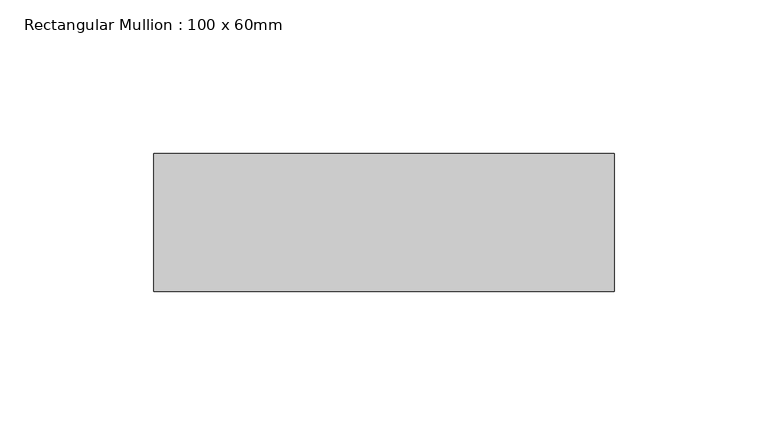
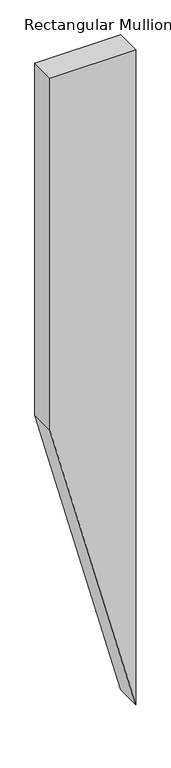
"""IFC4 building model written with IfcOpenShell, lengths in millimetres: member geometry, Rectangular Mullion : 100 x 60mm."""

import ifcopenshell
import ifcopenshell.guid

model = None  # the IFC model being written
_history = None  # IfcOwnerHistory: only IFC2X3 demands one
_inside = {}  # id of a spatial element -> (the spatial element, [elements in it])
_under = {}  # id of a project, library or spatial element -> (it, [spatial elements below it])
_declared = {}  # id of a project -> (the project, [libraries it declares])
_typed = {}  # id of a type object -> (the type object, [elements of that type])
_made_of = {}  # id of a material, layer set ... -> (it, [elements and type objects made of it])


def new_model(schema):
    """Start an empty IFC model of exactly this schema.

    Asked for "IFC4X3", IfcOpenShell would pick the latest addendum, in which some entities
    have other attributes; the version numbers below select the first issue.
    IFC2X3 requires an IfcOwnerHistory on every rooted entity: one is made here for all.
    """
    global model, _history
    if schema == "IFC4X3":
        model = ifcopenshell.file(schema_version=(4, 3, 0, 0))
    else:
        model = ifcopenshell.file(schema=schema)
    _inside.clear()
    _under.clear()
    _declared.clear()
    _typed.clear()
    _made_of.clear()
    _history = None
    if model.schema == "IFC2X3":
        org = make("IfcOrganization", Name="unknown")
        user = make(
            "IfcPersonAndOrganization",
            ThePerson=make("IfcPerson", FamilyName="unknown"),
            TheOrganization=org,
        )
        app = make(
            "IfcApplication",
            ApplicationDeveloper=org,
            Version="unknown",
            ApplicationFullName="unknown",
            ApplicationIdentifier="unknown",
        )
        _history = make(
            "IfcOwnerHistory",
            OwningUser=user,
            OwningApplication=app,
            ChangeAction="ADDED",
            CreationDate=0,
        )
    return model


def make(cls, **values):
    """One entity of the class cls with the attributes given. An attribute that is None is left unset."""
    return model.create_entity(
        cls, **{name: value for name, value in values.items() if value is not None}
    )


def rooted(cls, **values):
    """An entity with a GlobalId (a new one), such as an element, a storey or a relation."""
    return make(cls, GlobalId=ifcopenshell.guid.new(), OwnerHistory=_history, **values)


def si_unit(unit_type, name, prefix=None):
    """IfcSIUnit, for example si_unit("LENGTHUNIT", "METRE", prefix="MILLI")."""
    return make("IfcSIUnit", UnitType=unit_type, Prefix=prefix, Name=name)


def assignment(units):
    """IfcUnitAssignment: the units of a project."""
    return None if units is None else make("IfcUnitAssignment", Units=units)


def point(xyz):
    """IfcCartesianPoint."""
    return None if xyz is None else make("IfcCartesianPoint", Coordinates=xyz)


def direction(xyz):
    """IfcDirection."""
    return None if xyz is None else make("IfcDirection", DirectionRatios=xyz)


def frame(location, z_axis=None, x_axis=None):
    """IfcAxis2Placement3D, a coordinate frame: its origin and axes. An axis left out is left unset."""
    return make(
        "IfcAxis2Placement3D",
        Location=point(location),
        Axis=direction(z_axis),
        RefDirection=direction(x_axis),
    )


def origin():
    """The frame at (0, 0, 0) with its axes left unset."""
    return frame((0.0, 0.0, 0.0))


def place(relative_to, where):
    """IfcLocalPlacement: puts the frame where relative to a parent placement (None: the world)."""
    return make(
        "IfcLocalPlacement", PlacementRelTo=relative_to, RelativePlacement=where
    )


def context(
    kind, dimensions, precision=None, world=None, true_north=None, identifier=None
):
    """IfcGeometricRepresentationContext, for example the 3D "Model" context."""
    return make(
        "IfcGeometricRepresentationContext",
        ContextIdentifier=identifier,
        ContextType=kind,
        CoordinateSpaceDimension=dimensions,
        Precision=precision,
        WorldCoordinateSystem=world,
        TrueNorth=true_north,
    )


def project(units=None, contexts=None):
    """IfcProject with its units and contexts."""
    return rooted(
        "IfcProject",
        Name="project",
        RepresentationContexts=contexts,
        UnitsInContext=assignment(units),
    )


def spatial(cls, under=None, at=None, **own):
    """A site, building, storey or space (cls), placed at a placement, below another one or the project."""
    s = rooted(cls, ObjectPlacement=at, **own)
    if under is not None:
        _under.setdefault(under.id(), (under, []))[1].append(s)
    return s


def polyline(points):
    """IfcPolyline through the points."""
    return make("IfcPolyline", Points=[point(p) for p in points])


def outline(outer, holes=None, kind="AREA"):
    """IfcArbitraryClosedProfileDef: a profile drawn as a closed curve; with holes, ...WithVoids."""
    if holes is None:
        return make("IfcArbitraryClosedProfileDef", ProfileType=kind, OuterCurve=outer)
    return make(
        "IfcArbitraryProfileDefWithVoids",
        ProfileType=kind,
        OuterCurve=outer,
        InnerCurves=holes,
    )


def extrude(swept, where, along, depth):
    """IfcExtrudedAreaSolid: the profile swept, set in the frame where, extruded along a direction by depth."""
    return make(
        "IfcExtrudedAreaSolid",
        SweptArea=swept,
        Position=where,
        ExtrudedDirection=direction(along),
        Depth=depth,
    )


def shape(context_of_items, identifier, shape_type, items):
    """IfcShapeRepresentation: the items that make up one representation, for example the "Body"."""
    return make(
        "IfcShapeRepresentation",
        ContextOfItems=context_of_items,
        RepresentationIdentifier=identifier,
        RepresentationType=shape_type,
        Items=items,
    )


def source(mapping_origin, context_of_items, identifier, shape_type, items):
    """IfcRepresentationMap: a shape defined once, which mapped items show again and again."""
    return make(
        "IfcRepresentationMap",
        MappingOrigin=mapping_origin,
        MappedRepresentation=shape(context_of_items, identifier, shape_type, items),
    )


def transform(
    local_origin,
    x_axis=None,
    y_axis=None,
    z_axis=None,
    scale=None,
    scale2=None,
    scale3=None,
    uniform=True,
):
    """IfcCartesianTransformationOperator3D, or its non-uniform kind. x_axis, y_axis, z_axis: its Axis1, 2, 3."""
    if uniform:
        return make(
            "IfcCartesianTransformationOperator3D",
            Axis1=direction(x_axis),
            Axis2=direction(y_axis),
            LocalOrigin=point(local_origin),
            Scale=scale,
            Axis3=direction(z_axis),
        )
    return make(
        "IfcCartesianTransformationOperator3DnonUniform",
        Axis1=direction(x_axis),
        Axis2=direction(y_axis),
        LocalOrigin=point(local_origin),
        Scale=scale,
        Axis3=direction(z_axis),
        Scale2=scale2,
        Scale3=scale3,
    )


def mapped(mapping_source, mapping_target):
    """IfcMappedItem: shows the shape of a source again, moved by a transform."""
    return make(
        "IfcMappedItem", MappingSource=mapping_source, MappingTarget=mapping_target
    )


def made_of(thing, what):
    """Note that an element or type object is made of a material, layer set ...; save() writes the relation."""
    if what is not None:
        _made_of.setdefault(what.id(), (what, []))[1].append(thing)
    return thing


def element(
    cls,
    number,
    at=None,
    inside=None,
    cuts=None,
    type_object=None,
    material=None,
    context=None,
    identifier="Body",
    shape_type=None,
    held_by="IfcProductDefinitionShape",
    body=None,
    shapes=None,
    **own,
):
    """One element of the class cls, such as IfcWall. Its Tag is "e" and its number.

    at: its placement. inside: the storey or other place that contains it. cuts: it is an
    opening in that element (IfcRelVoidsElement). A single representation is given by context,
    identifier, shape_type and body (its items); several are given by shapes. held_by: the class
    of the entity that holds the representations. save() writes the other relations.
    """
    e = rooted(cls, Tag="e%d" % number, ObjectPlacement=at, **own)
    if body is not None:
        shapes = [shape(context, identifier, shape_type, body)]
    if shapes is not None:
        e.Representation = make(held_by, Representations=shapes)
    if inside is not None:
        _inside.setdefault(inside.id(), (inside, []))[1].append(e)
    if cuts is not None:
        rooted(
            "IfcRelVoidsElement", RelatingBuildingElement=cuts, RelatedOpeningElement=e
        )
    if type_object is not None:
        _typed.setdefault(type_object.id(), (type_object, []))[1].append(e)
    return made_of(e, material)


def aggregate(whole, parts):
    """IfcRelAggregates: a whole, such as a stair, and the parts it consists of."""
    return rooted("IfcRelAggregates", RelatingObject=whole, RelatedObjects=parts)


def save(model, path):
    """Write the relations noted so far, then the file.

    IfcRelAggregates (storeys below a building ...), IfcRelContainedInSpatialStructure (elements
    in a storey), IfcRelDefinesByType, IfcRelAssociatesMaterial and IfcRelDeclares: one each for
    every whole, place, type object, material and project.
    """
    for whole, parts in _under.values():
        aggregate(whole, parts)
    for where, things in _inside.values():
        rooted(
            "IfcRelContainedInSpatialStructure",
            RelatedElements=things,
            RelatingStructure=where,
        )
    for kind, things in _typed.values():
        rooted("IfcRelDefinesByType", RelatedObjects=things, RelatingType=kind)
    for what, things in _made_of.values():
        rooted("IfcRelAssociatesMaterial", RelatedObjects=things, RelatingMaterial=what)
    for by, libraries in _declared.values():
        rooted("IfcRelDeclares", RelatingContext=by, RelatedDefinitions=libraries)
    model.write(path)


def rectangular_mullion_100_x_60mm_0d716ae3(model_context):
    return source(origin(), model_context, "Body", "SweptSolid", [
        extrude(outline(polyline([(0.0, 75.0), (0.0, -75.0), (-650.0012755, -75.0), (-1209.8088967, 75.0), (0.0, 75.0)])), frame((0.0, -30.0, 0.0), z_axis=(0.0, 1.0, 0.0), x_axis=(0.0, 0.0, 1.0)), (0.0, 0.0, 1.0), 45.0),
    ])


if __name__ == "__main__":
    model = new_model("IFC4")
    model_context = context("Model", 3, world=origin())
    ifc_project = project(units=[si_unit("LENGTHUNIT", "METRE", prefix="MILLI")], contexts=[model_context])
    site = spatial("IfcSite", under=ifc_project)
    building = spatial("IfcBuilding", under=site)
    placement = place(None, origin())
    rectangular_mullion_100_x_60mm_shape = rectangular_mullion_100_x_60mm_0d716ae3(model_context)
    element("IfcMember", 1, ObjectType="Rectangular Mullion : 100 x 60mm", at=placement, inside=building, context=model_context, shape_type="MappedRepresentation", body=[
        mapped(rectangular_mullion_100_x_60mm_shape, transform((0.0, 0.0, 0.0), x_axis=(1.0, 0.0, 0.0), y_axis=(0.0, 1.0, 0.0), z_axis=(0.0, 0.0, 1.0))),
    ])
    save(model, "model.ifc")
